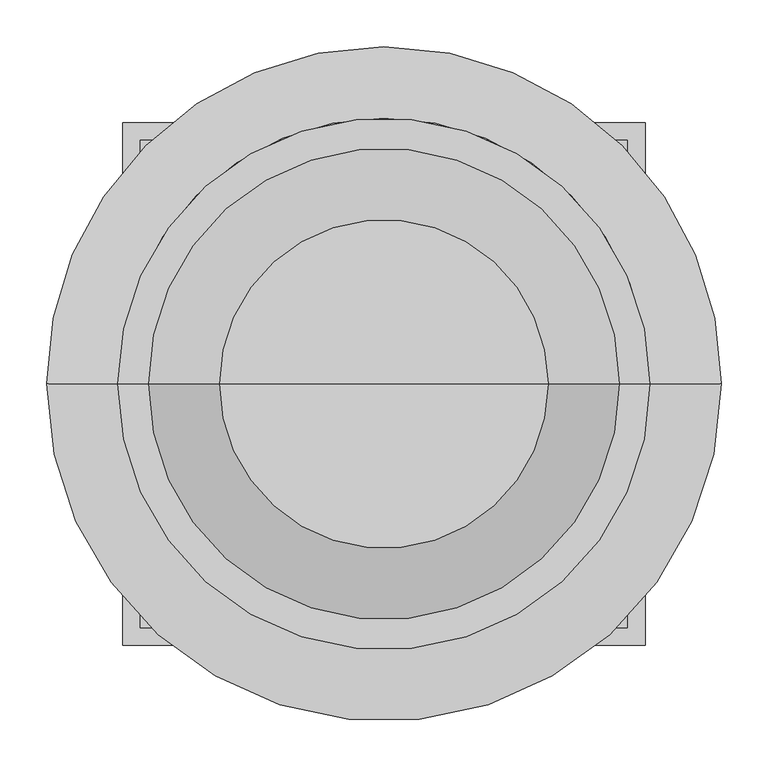
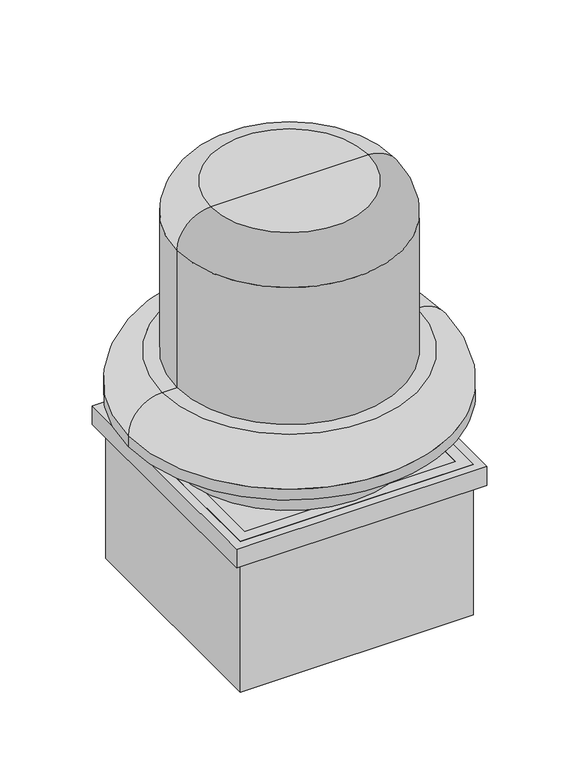
"""IFC4 building model written with IfcOpenShell, lengths in millimetres: proxy geometry."""

from ifc_helpers import new_model, si_unit, point, frame, origin, place, context, project, spatial, polyline, circle_curve, ellipse_curve, trimmed, outline, extrude, faceted_brep, source, transform, mapped, element, save
from ifc_brep_helpers import plane_surface, cylinder_surface, revolved_surface, advanced_brep


def mechanical_equipment_1cd87863(model_context):
    return source(origin(), model_context, "Body", "SolidModel", [
        extrude(outline(polyline([(-19.1124116, -260.35), (-539.8124116, -260.35), (-539.8124116, 260.35), (-19.1124116, 260.35), (-19.1124116, -260.35)]), holes=[polyline([(-514.4124116, -234.95), (-44.5124116, -234.95), (-44.5124116, 234.95), (-514.4124116, 234.95), (-514.4124116, -234.95)])]), frame((0.0, 0.0, 3.175), z_axis=(0.0, 0.0, 1.0), x_axis=(1.0, 0.0, 0.0)), (0.0, 0.0, 1.0), 355.6),
        advanced_brep(
        [(-279.4624116, 0.0, 561.975), (4.7794634, 0.0, 561.975), (-563.7042866, 0.0, 561.975), (-639.8249116, 0.0, 460.375), (80.9000884, 0.0, 460.375), (-279.4624116, 0.0, 460.375), (-639.8249116, 0.0, 485.8544652), (80.9000884, 0.0, 485.854375)],
        [
            (0, 1),
            (1, 2, circle_curve(frame((-279.4624116, 0.0, 561.975), z_axis=(0.0, 0.0, 1.0), x_axis=(1.0, 0.0, 0.0)), 284.241875)),
            (2, 0),
            (2, 1, circle_curve(frame((-279.4624116, 0.0, 561.975), z_axis=(0.0, 0.0, 1.0), x_axis=(1.0, 0.0, 0.0)), 284.241875)),
            (3, 4, circle_curve(frame((-279.4624116, 0.0, 460.375), z_axis=(0.0, 0.0, -1.0), x_axis=(1.0, 0.0, 0.0)), 360.3625)),
            (4, 5),
            (5, 3),
            (4, 3, circle_curve(frame((-279.4624116, 0.0, 460.375), z_axis=(0.0, 0.0, -1.0), x_axis=(1.0, 0.0, 0.0)), 360.3625)),
            (3, 6),
            (6, 7, circle_curve(frame((-279.4624116, 0.0, 485.854375), z_axis=(0.0, 0.0, -1.0), x_axis=(1.0, 0.0, 0.0)), 360.3625)),
            (7, 4),
            (7, 6, circle_curve(frame((-279.4624116, 0.0, 485.854375), z_axis=(0.0, 0.0, -1.0), x_axis=(1.0, 0.0, 0.0)), 360.3625)),
            (6, 2, circle_curve(frame((-563.7042866, 0.0, 485.854375), z_axis=(0.0, 1.0, 0.0), x_axis=(-1.0, 0.0, 0.0)), 76.120625)),
            (1, 7, circle_curve(frame((4.7794634, 0.0, 485.854375), z_axis=(0.0, 1.0, 0.0), x_axis=(1.0, 0.0, 0.0)), 76.120625)),
        ],
        [
            plane_surface(frame((-279.4624116, 0.0, 561.975), z_axis=(0.0, 0.0, 1.0), x_axis=(1.0, 0.0, 0.0))),
            plane_surface(frame((-279.4624116, 0.0, 460.375), z_axis=(0.0, 0.0, -1.0), x_axis=(1.0, 0.0, 0.0))),
            cylinder_surface(frame((-279.4624116, 0.0, 460.3422007), z_axis=(0.0, 0.0, 1.0), x_axis=(1.0, 0.0, 0.0)), 360.3625),
            revolved_surface(trimmed(ellipse_curve(frame((4.7794634, 0.0, 485.854375), z_axis=(0.0, -1.0, 0.0), x_axis=(1.0, 0.0, 0.0)), 76.120625, 76.120625), [point((80.9000884, 0.0, 485.854375))], [point((4.7794634, 0.0, 561.975))], True, "CARTESIAN"), (-279.4624116, 0.0, 541.6638531), (0.0, 0.0, 1.0)),
        ],
        [
            (0, [[1, 2, 3]]),
            (0, [[-1, -3, 4]]),
            (1, [[5, 6, 7]]),
            (1, [[-6, 8, -7]]),
            (2, [[-5, 9, 10, 11]]),
            (2, [[-8, -11, 12, -9]]),
            (3, [[13, -2, 14, -10]]),
            (3, [[-13, -12, -14, -4]]),
        ],
    ),
        faceted_brep([(-0.0624116, -279.4, 358.775), (-558.8624116, -279.4, 358.775), (-558.8624116, -279.4, 314.325), (-0.0624116, -279.4, 314.325), (-0.0624116, 279.4, 358.775), (-0.0624116, 279.4, 314.325), (-558.8624116, 279.4, 314.325), (-558.8624116, 279.4, 358.775), (-1.6499116, -277.8125, 314.325), (-1.6499116, 277.8125, 314.325), (-557.2749116, 277.8125, 314.325), (-557.2749116, -277.8125, 314.325), (-1.6499116, 277.8125, 357.1875), (-1.6499116, -277.8125, 357.1875), (-557.2749116, -277.8125, 357.1875), (-557.2749116, 277.8125, 357.1875)], [[[0, 1, 2, 3]], [[4, 5, 6, 7]], [[1, 0, 4, 7]], [[2, 1, 7, 6]], [[3, 2, 6, 5], [8, 9, 10, 11]], [[0, 3, 5, 4]], [[12, 13, 14, 15]], [[13, 12, 9, 8]], [[14, 13, 8, 11]], [[15, 14, 11, 10]], [[12, 15, 10, 9]]]),
        advanced_brep(
        [(-531.0811616, 0.0, 885.825), (-27.8436616, 0.0, 885.825), (-27.8436616, 0.0, 358.775), (-531.0811616, 0.0, 358.775), (-279.4624116, 0.0, 962.025), (-104.0436616, 0.0, 962.025), (-454.8811616, 0.0, 962.025), (-279.4624116, 0.0, 358.775)],
        [
            (0, 1, circle_curve(frame((-279.4624116, 0.0, 885.825), z_axis=(0.0, 0.0, -1.0), x_axis=(1.0, 0.0, 0.0)), 251.61875)),
            (1, 2),
            (2, 3, circle_curve(frame((-279.4624116, 0.0, 358.775), z_axis=(0.0, 0.0, 1.0), x_axis=(1.0, 0.0, 0.0)), 251.61875)),
            (3, 0),
            (1, 0, circle_curve(frame((-279.4624116, 0.0, 885.825), z_axis=(0.0, 0.0, -1.0), x_axis=(1.0, 0.0, 0.0)), 251.61875)),
            (3, 2, circle_curve(frame((-279.4624116, 0.0, 358.775), z_axis=(0.0, 0.0, 1.0), x_axis=(1.0, 0.0, 0.0)), 251.61875)),
            (4, 5),
            (5, 6, circle_curve(frame((-279.4624116, 0.0, 962.025), z_axis=(0.0, 0.0, 1.0), x_axis=(1.0, 0.0, 0.0)), 175.41875)),
            (6, 4),
            (6, 5, circle_curve(frame((-279.4624116, 0.0, 962.025), z_axis=(0.0, 0.0, 1.0), x_axis=(1.0, 0.0, 0.0)), 175.41875)),
            (2, 7),
            (7, 3),
            (5, 1, circle_curve(frame((-104.0436616, 0.0, 885.825), z_axis=(0.0, 1.0, 0.0), x_axis=(1.0, 0.0, 0.0)), 76.2)),
            (0, 6, circle_curve(frame((-454.8811616, 0.0, 885.825), z_axis=(0.0, 1.0, 0.0), x_axis=(-1.0, 0.0, 0.0)), 76.2)),
        ],
        [
            cylinder_surface(frame((-279.4624116, 0.0, 407.0638052), z_axis=(0.0, 0.0, 1.0), x_axis=(1.0, 0.0, 0.0)), 251.61875),
            plane_surface(frame((-279.4624116, 0.0, 962.025), z_axis=(0.0, 0.0, 1.0), x_axis=(1.0, 0.0, 0.0))),
            plane_surface(frame((-279.4624116, 0.0, 358.775), z_axis=(0.0, 0.0, -1.0), x_axis=(1.0, 0.0, 0.0))),
            revolved_surface(trimmed(ellipse_curve(frame((-104.0436616, 0.0, 885.825), z_axis=(0.0, -1.0, 0.0), x_axis=(1.0, 0.0, 0.0)), 76.2, 76.2), [point((-27.8436616, 0.0, 885.825))], [point((-104.0436616, 0.0, 962.025))], True, "CARTESIAN"), (-279.4624116, 0.0, 407.0638052), (0.0, 0.0, 1.0)),
        ],
        [
            (0, [[1, 2, 3, 4]]),
            (0, [[5, -4, 6, -2]]),
            (1, [[7, 8, 9]]),
            (1, [[-9, 10, -7]]),
            (2, [[-3, 11, 12]]),
            (2, [[-6, -12, -11]]),
            (3, [[-8, 13, -1, 14]]),
            (3, [[-10, -14, -5, -13]]),
        ],
    ),
    ])


if __name__ == "__main__":
    model = new_model("IFC4")
    model_context = context("Model", 3, world=origin())
    ifc_project = project(units=[si_unit("LENGTHUNIT", "METRE", prefix="MILLI")], contexts=[model_context])
    site = spatial("IfcSite", under=ifc_project)
    building = spatial("IfcBuilding", under=site)
    placement = place(None, origin())
    mechanical_equipment_shape = mechanical_equipment_1cd87863(model_context)
    element("IfcBuildingElementProxy", 1, Name="Mechanical Equipment", at=placement, inside=building, context=model_context, shape_type="MappedRepresentation", body=[
        mapped(mechanical_equipment_shape, transform((0.0, 0.0, 0.0), x_axis=(1.0, 0.0, 0.0), y_axis=(0.0, 1.0, 0.0), z_axis=(0.0, 0.0, 1.0))),
    ])
    save(model, "model.ifc")
